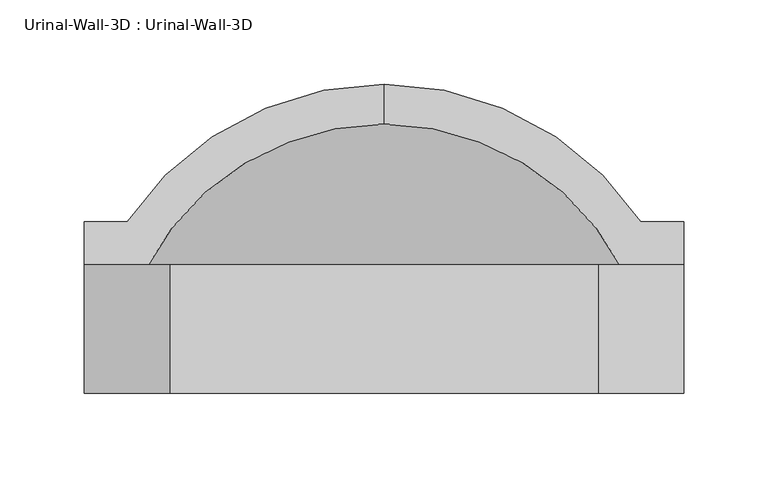
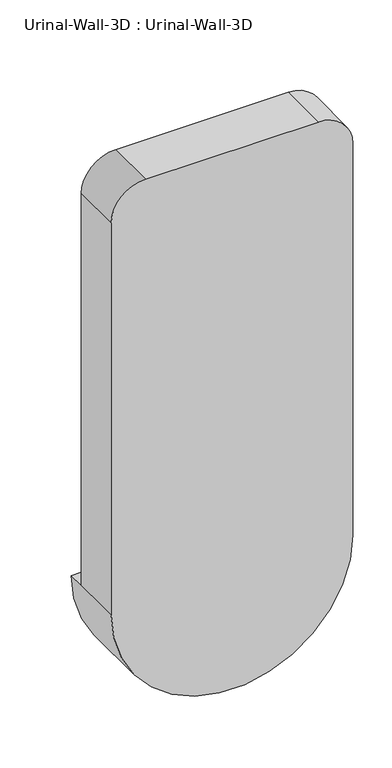
"""IFC4 building model written with IfcOpenShell, lengths in millimetres: flow terminal geometry, Urinal-Wall-3D : Urinal-Wall-3D."""

import ifcopenshell
import ifcopenshell.guid

model = None  # the IFC model being written
_history = None  # IfcOwnerHistory: only IFC2X3 demands one
_inside = {}  # id of a spatial element -> (the spatial element, [elements in it])
_under = {}  # id of a project, library or spatial element -> (it, [spatial elements below it])
_declared = {}  # id of a project -> (the project, [libraries it declares])
_typed = {}  # id of a type object -> (the type object, [elements of that type])
_made_of = {}  # id of a material, layer set ... -> (it, [elements and type objects made of it])


def new_model(schema):
    """Start an empty IFC model of exactly this schema.

    Asked for "IFC4X3", IfcOpenShell would pick the latest addendum, in which some entities
    have other attributes; the version numbers below select the first issue.
    IFC2X3 requires an IfcOwnerHistory on every rooted entity: one is made here for all.
    """
    global model, _history
    if schema == "IFC4X3":
        model = ifcopenshell.file(schema_version=(4, 3, 0, 0))
    else:
        model = ifcopenshell.file(schema=schema)
    _inside.clear()
    _under.clear()
    _declared.clear()
    _typed.clear()
    _made_of.clear()
    _history = None
    if model.schema == "IFC2X3":
        org = make("IfcOrganization", Name="unknown")
        user = make(
            "IfcPersonAndOrganization",
            ThePerson=make("IfcPerson", FamilyName="unknown"),
            TheOrganization=org,
        )
        app = make(
            "IfcApplication",
            ApplicationDeveloper=org,
            Version="unknown",
            ApplicationFullName="unknown",
            ApplicationIdentifier="unknown",
        )
        _history = make(
            "IfcOwnerHistory",
            OwningUser=user,
            OwningApplication=app,
            ChangeAction="ADDED",
            CreationDate=0,
        )
    return model


def make(cls, **values):
    """One entity of the class cls with the attributes given. An attribute that is None is left unset."""
    return model.create_entity(
        cls, **{name: value for name, value in values.items() if value is not None}
    )


def rooted(cls, **values):
    """An entity with a GlobalId (a new one), such as an element, a storey or a relation."""
    return make(cls, GlobalId=ifcopenshell.guid.new(), OwnerHistory=_history, **values)


def si_unit(unit_type, name, prefix=None):
    """IfcSIUnit, for example si_unit("LENGTHUNIT", "METRE", prefix="MILLI")."""
    return make("IfcSIUnit", UnitType=unit_type, Prefix=prefix, Name=name)


def assignment(units):
    """IfcUnitAssignment: the units of a project."""
    return None if units is None else make("IfcUnitAssignment", Units=units)


def point(xyz):
    """IfcCartesianPoint."""
    return None if xyz is None else make("IfcCartesianPoint", Coordinates=xyz)


def direction(xyz):
    """IfcDirection."""
    return None if xyz is None else make("IfcDirection", DirectionRatios=xyz)


def frame(location, z_axis=None, x_axis=None):
    """IfcAxis2Placement3D, a coordinate frame: its origin and axes. An axis left out is left unset."""
    return make(
        "IfcAxis2Placement3D",
        Location=point(location),
        Axis=direction(z_axis),
        RefDirection=direction(x_axis),
    )


def origin():
    """The frame at (0, 0, 0) with its axes left unset."""
    return frame((0.0, 0.0, 0.0))


def place(relative_to, where):
    """IfcLocalPlacement: puts the frame where relative to a parent placement (None: the world)."""
    return make(
        "IfcLocalPlacement", PlacementRelTo=relative_to, RelativePlacement=where
    )


def context(
    kind, dimensions, precision=None, world=None, true_north=None, identifier=None
):
    """IfcGeometricRepresentationContext, for example the 3D "Model" context."""
    return make(
        "IfcGeometricRepresentationContext",
        ContextIdentifier=identifier,
        ContextType=kind,
        CoordinateSpaceDimension=dimensions,
        Precision=precision,
        WorldCoordinateSystem=world,
        TrueNorth=true_north,
    )


def project(units=None, contexts=None):
    """IfcProject with its units and contexts."""
    return rooted(
        "IfcProject",
        Name="project",
        RepresentationContexts=contexts,
        UnitsInContext=assignment(units),
    )


def spatial(cls, under=None, at=None, **own):
    """A site, building, storey or space (cls), placed at a placement, below another one or the project."""
    s = rooted(cls, ObjectPlacement=at, **own)
    if under is not None:
        _under.setdefault(under.id(), (under, []))[1].append(s)
    return s


def polyline(points):
    """IfcPolyline through the points."""
    return make("IfcPolyline", Points=[point(p) for p in points])


def circle_curve(where, radius):
    """IfcCircle in the frame where."""
    return make("IfcCircle", Position=where, Radius=radius)


def ellipse_curve(where, semi_axis1, semi_axis2):
    """IfcEllipse in the frame where."""
    return make(
        "IfcEllipse", Position=where, SemiAxis1=semi_axis1, SemiAxis2=semi_axis2
    )


def trimmed(basis, trim1, trim2, sense, master):
    """IfcTrimmedCurve: the piece of a basis curve between two trims."""
    return make(
        "IfcTrimmedCurve",
        BasisCurve=basis,
        Trim1=trim1,
        Trim2=trim2,
        SenseAgreement=sense,
        MasterRepresentation=master,
    )


def shape(context_of_items, identifier, shape_type, items):
    """IfcShapeRepresentation: the items that make up one representation, for example the "Body"."""
    return make(
        "IfcShapeRepresentation",
        ContextOfItems=context_of_items,
        RepresentationIdentifier=identifier,
        RepresentationType=shape_type,
        Items=items,
    )


def source(mapping_origin, context_of_items, identifier, shape_type, items):
    """IfcRepresentationMap: a shape defined once, which mapped items show again and again."""
    return make(
        "IfcRepresentationMap",
        MappingOrigin=mapping_origin,
        MappedRepresentation=shape(context_of_items, identifier, shape_type, items),
    )


def transform(
    local_origin,
    x_axis=None,
    y_axis=None,
    z_axis=None,
    scale=None,
    scale2=None,
    scale3=None,
    uniform=True,
):
    """IfcCartesianTransformationOperator3D, or its non-uniform kind. x_axis, y_axis, z_axis: its Axis1, 2, 3."""
    if uniform:
        return make(
            "IfcCartesianTransformationOperator3D",
            Axis1=direction(x_axis),
            Axis2=direction(y_axis),
            LocalOrigin=point(local_origin),
            Scale=scale,
            Axis3=direction(z_axis),
        )
    return make(
        "IfcCartesianTransformationOperator3DnonUniform",
        Axis1=direction(x_axis),
        Axis2=direction(y_axis),
        LocalOrigin=point(local_origin),
        Scale=scale,
        Axis3=direction(z_axis),
        Scale2=scale2,
        Scale3=scale3,
    )


def mapped(mapping_source, mapping_target):
    """IfcMappedItem: shows the shape of a source again, moved by a transform."""
    return make(
        "IfcMappedItem", MappingSource=mapping_source, MappingTarget=mapping_target
    )


def made_of(thing, what):
    """Note that an element or type object is made of a material, layer set ...; save() writes the relation."""
    if what is not None:
        _made_of.setdefault(what.id(), (what, []))[1].append(thing)
    return thing


def element(
    cls,
    number,
    at=None,
    inside=None,
    cuts=None,
    type_object=None,
    material=None,
    context=None,
    identifier="Body",
    shape_type=None,
    held_by="IfcProductDefinitionShape",
    body=None,
    shapes=None,
    **own,
):
    """One element of the class cls, such as IfcWall. Its Tag is "e" and its number.

    at: its placement. inside: the storey or other place that contains it. cuts: it is an
    opening in that element (IfcRelVoidsElement). A single representation is given by context,
    identifier, shape_type and body (its items); several are given by shapes. held_by: the class
    of the entity that holds the representations. save() writes the other relations.
    """
    e = rooted(cls, Tag="e%d" % number, ObjectPlacement=at, **own)
    if body is not None:
        shapes = [shape(context, identifier, shape_type, body)]
    if shapes is not None:
        e.Representation = make(held_by, Representations=shapes)
    if inside is not None:
        _inside.setdefault(inside.id(), (inside, []))[1].append(e)
    if cuts is not None:
        rooted(
            "IfcRelVoidsElement", RelatingBuildingElement=cuts, RelatedOpeningElement=e
        )
    if type_object is not None:
        _typed.setdefault(type_object.id(), (type_object, []))[1].append(e)
    return made_of(e, material)


def aggregate(whole, parts):
    """IfcRelAggregates: a whole, such as a stair, and the parts it consists of."""
    return rooted("IfcRelAggregates", RelatingObject=whole, RelatedObjects=parts)


def save(model, path):
    """Write the relations noted so far, then the file.

    IfcRelAggregates (storeys below a building ...), IfcRelContainedInSpatialStructure (elements
    in a storey), IfcRelDefinesByType, IfcRelAssociatesMaterial and IfcRelDeclares: one each for
    every whole, place, type object, material and project.
    """
    for whole, parts in _under.values():
        aggregate(whole, parts)
    for where, things in _inside.values():
        rooted(
            "IfcRelContainedInSpatialStructure",
            RelatedElements=things,
            RelatingStructure=where,
        )
    for kind, things in _typed.values():
        rooted("IfcRelDefinesByType", RelatedObjects=things, RelatingType=kind)
    for what, things in _made_of.values():
        rooted("IfcRelAssociatesMaterial", RelatedObjects=things, RelatingMaterial=what)
    for by, libraries in _declared.values():
        rooted("IfcRelDeclares", RelatingContext=by, RelatedDefinitions=libraries)
    model.write(path)


def plane_surface(at):
    """IfcPlane: the flat surface through the origin of the frame at, square to its z axis."""
    return make("IfcPlane", Position=at)


def cylinder_surface(at, radius):
    """IfcCylindricalSurface: all points at the distance radius from the z axis of the frame at."""
    return make("IfcCylindricalSurface", Position=at, Radius=radius)


def revolved_surface(curve, axis_point, axis_direction):
    """IfcSurfaceOfRevolution: the curve turned about the line through axis_point along axis_direction."""
    return make(
        "IfcSurfaceOfRevolution",
        SweptCurve=make("IfcArbitraryOpenProfileDef", ProfileType="CURVE", Curve=curve),
        AxisPosition=make("IfcAxis1Placement", Location=point(axis_point), Axis=direction(axis_direction)),
    )


def advanced_brep(points, edges, surfaces, faces):
    """IfcAdvancedBrep: a solid bounded by faces that lie on surfaces and meet in shared edges.

    An edge is (start, end): straight between two places in points (the first is 0);
    or (start, end, curve); or (start, end, curve, False) where it runs against its curve.
    A face is (place in surfaces, loops), or (place, loops, False) where it looks against
    its surface's normal. A loop lists edges by number (the first is 1), with a minus sign
    where the edge is run from its end to its start. The first loop is the outer one.
    """
    corners = [point(p) for p in points]
    vertices = [make("IfcVertexPoint", VertexGeometry=c) for c in corners]
    made = []
    for start, end, *more in edges:
        made.append(
            make(
                "IfcEdgeCurve",
                EdgeStart=vertices[start],
                EdgeEnd=vertices[end],
                EdgeGeometry=more[0] if more else make("IfcPolyline", Points=[corners[start], corners[end]]),
                SameSense=more[1] if len(more) > 1 else True,
            )
        )
    hull = []
    for where, loops, *sense in faces:
        bounds = []
        for j, loop in enumerate(loops):
            ring = [make("IfcOrientedEdge", EdgeElement=made[abs(k) - 1], Orientation=k > 0) for k in loop]
            bounds.append(
                make(
                    "IfcFaceOuterBound" if j == 0 else "IfcFaceBound",
                    Bound=make("IfcEdgeLoop", EdgeList=ring),
                    Orientation=True,
                )
            )
        hull.append(make("IfcAdvancedFace", Bounds=bounds, FaceSurface=surfaces[where], SameSense=sense[0] if sense else True))
    return make("IfcAdvancedBrep", Outer=make("IfcClosedShell", CfsFaces=hull))


def urinal_wall_3d_urinal_wall_3d_4167b4dd(model_context):
    return source(origin(), model_context, "Body", "AdvancedBrep", [
        advanced_brep(
        [(-109.0745999, 270.4745048, 609.6), (-109.0745999, 246.7572043, 609.6), (43.3254001, 134.1831063, 609.6), (43.3254001, 163.5125, 609.6), (68.7254001, 163.5125, 609.6), (68.7254001, 188.9125, 609.6), (43.3254001, 188.9125, 609.6), (-261.4745999, 188.9125, 609.6), (-286.8745999, 188.9125, 609.6), (-286.8745999, 163.5125, 609.6), (-261.4745999, 163.5125, 609.6), (-261.4745999, 134.1831063, 609.6), (-261.4745999, 100.0125, 609.6), (43.3254001, 100.0125, 609.6), (-286.8745999, 87.3125, 609.6), (68.7254001, 87.3125, 609.6), (68.7254001, 87.3125, 1219.2), (17.9254001, 87.3125, 1270.0), (-236.0745999, 87.3125, 1270.0), (-286.8745999, 87.3125, 1219.2), (43.3254001, 163.5125, 1168.4), (-7.4745999, 163.5125, 1219.2), (-210.6745999, 163.5125, 1219.2), (-261.4745999, 163.5125, 1168.4), (-286.8745999, 163.5125, 1219.2), (-236.0745999, 163.5125, 1270.0), (17.9254001, 163.5125, 1270.0), (68.7254001, 163.5125, 1219.2), (43.3254001, 100.0125, 1168.4), (-7.4745999, 100.0125, 1219.2), (-210.6745999, 100.0125, 1219.2), (-261.4745999, 100.0125, 1168.4)],
        [
            (0, 1),
            (1, 2, circle_curve(frame((-109.0745999, 87.3125, 609.6), z_axis=(0.0, 0.0, -1.0), x_axis=(1.0, 0.0, 0.0)), 159.4447043)),
            (2, 3),
            (3, 4),
            (4, 5),
            (5, 6),
            (6, 0, circle_curve(frame((-109.0745999, 87.3125, 609.6), z_axis=(0.0, 0.0, 1.0), x_axis=(1.0, 0.0, 0.0)), 183.1620048)),
            (0, 7, circle_curve(frame((-109.0745999, 87.3125, 609.6), z_axis=(0.0, 0.0, 1.0), x_axis=(-1.0, 0.0, 0.0)), 183.1620048)),
            (7, 8),
            (8, 9),
            (9, 10),
            (10, 11),
            (11, 1, circle_curve(frame((-109.0745999, 87.3125, 609.6), z_axis=(0.0, 0.0, -1.0), x_axis=(-1.0, 0.0, 0.0)), 159.4447043)),
            (11, 2, circle_curve(frame((-109.0745999, 134.1831063, 609.6), z_axis=(0.0, -1.0, 0.0), x_axis=(1.0, 0.0, 0.0)), 152.4)),
            (11, 12),
            (12, 13, circle_curve(frame((-109.0745999, 100.0125, 609.6), z_axis=(0.0, -1.0, 0.0), x_axis=(1.0, 0.0, 0.0)), 152.4)),
            (13, 2),
            (14, 15, circle_curve(frame((-109.0745999, 87.3125, 609.6), z_axis=(0.0, -1.0, 0.0), x_axis=(1.0, 0.0, 0.0)), 177.8)),
            (15, 16),
            (16, 17, circle_curve(frame((17.9254001, 87.3125, 1219.2), z_axis=(0.0, -1.0, 0.0), x_axis=(-1.0, 0.0, 0.0)), 50.8)),
            (17, 18),
            (18, 19, circle_curve(frame((-236.0745999, 87.3125, 1219.2), z_axis=(0.0, -1.0, 0.0), x_axis=(-1.0, 0.0, 0.0)), 50.8)),
            (19, 14),
            (14, 9),
            (8, 5, circle_curve(frame((-109.0745999, 188.9125, 609.6), z_axis=(0.0, -1.0, 0.0), x_axis=(1.0, 0.0, 0.0)), 177.8)),
            (4, 15),
            (7, 6, circle_curve(frame((-109.0745999, 188.9125, 609.6), z_axis=(0.0, -1.0, 0.0), x_axis=(1.0, 0.0, 0.0)), 152.4)),
            (3, 20),
            (20, 21, circle_curve(frame((-7.4745999, 163.5125, 1168.4), z_axis=(0.0, -1.0, 0.0), x_axis=(-1.0, 0.0, 0.0)), 50.8)),
            (21, 22),
            (22, 23, circle_curve(frame((-210.6745999, 163.5125, 1168.4), z_axis=(0.0, -1.0, 0.0), x_axis=(-1.0, 0.0, 0.0)), 50.8)),
            (23, 10),
            (9, 24),
            (24, 25, circle_curve(frame((-236.0745999, 163.5125, 1219.2), z_axis=(0.0, 1.0, 0.0), x_axis=(-1.0, 0.0, 0.0)), 50.8)),
            (25, 26),
            (26, 27, circle_curve(frame((17.9254001, 163.5125, 1219.2), z_axis=(0.0, 1.0, 0.0), x_axis=(-1.0, 0.0, 0.0)), 50.8)),
            (27, 4),
            (13, 28),
            (28, 20),
            (28, 29, circle_curve(frame((-7.4745999, 100.0125, 1168.4), z_axis=(0.0, -1.0, 0.0), x_axis=(-1.0, 0.0, 0.0)), 50.8)),
            (29, 21),
            (29, 30),
            (30, 22),
            (30, 31, circle_curve(frame((-210.6745999, 100.0125, 1168.4), z_axis=(0.0, -1.0, 0.0), x_axis=(-1.0, 0.0, 0.0)), 50.8)),
            (31, 23),
            (31, 12),
            (19, 24),
            (18, 25),
            (17, 26),
            (16, 27),
        ],
        [
            plane_surface(frame((-109.0745999, 376.5229173, 609.6), z_axis=(0.0, 0.0, 1.0), x_axis=(1.0, 0.0, 0.0))),
            plane_surface(frame((-109.0745999, 376.5229173, 609.6), z_axis=(0.0, 0.0, 1.0), x_axis=(-1.0, 0.0, 0.0))),
            revolved_surface(trimmed(ellipse_curve(frame((-109.0745999, 87.3125, 609.6), z_axis=(0.0, 0.0, -1.0), x_axis=(1.0, 0.0, 0.0)), 159.4447043, 159.4447043), [point((-109.0745999, 246.7572043, 609.6))], [point((43.3254001, 134.1831063, 609.6))], True, "CARTESIAN"), (-109.0745999, 376.5229173, 609.6), (0.0, 1.0, 0.0)),
            revolved_surface(polyline([(43.32540010000001, 134.1831063, 609.6), (43.32540010000001, 100.01249999999999, 609.6)]), (-109.0745999, 376.5229173, 609.6), (0.0, 1.0, 0.0)),
            plane_surface(frame((-109.0745999, 87.3125, 609.6), z_axis=(0.0, -1.0, 0.0), x_axis=(1.0, 0.0, 0.0))),
            cylinder_surface(frame((-109.0745999, 376.5229173, 609.6), z_axis=(0.0, 1.0, 0.0), x_axis=(1.0, 0.0, 0.0)), 177.8),
            plane_surface(frame((-109.0745999, 188.9125, 609.6), z_axis=(0.0, 1.0, 0.0), x_axis=(1.0, 0.0, 0.0))),
            revolved_surface(trimmed(ellipse_curve(frame((-109.0745999, 87.3125, 609.6), z_axis=(0.0, 0.0, 1.0), x_axis=(1.0, 0.0, 0.0)), 183.1620048, 183.1620048), [point((43.3254001, 188.9125, 609.6))], [point((-109.0745999, 270.4745048, 609.6))], True, "CARTESIAN"), (-109.0745999, 376.5229173, 609.6), (0.0, 1.0, 0.0)),
            plane_surface(frame((43.3254001, 163.5125, 609.6), z_axis=(0.0, 1.0, 0.0), x_axis=(0.0, 0.0, 1.0))),
            plane_surface(frame((43.3254001, 163.5125, 609.6), z_axis=(-1.0, 0.0, 0.0), x_axis=(0.0, -1.0, 0.0))),
            revolved_surface(polyline([(-58.2745999, 100.0125, 1168.4), (-58.2745999, 163.5125, 1168.4)]), (-7.4745999, 87.3125, 1168.4), (0.0, -1.0, 0.0)),
            plane_surface(frame((-7.4745999, 163.5125, 1219.2), z_axis=(0.0, 0.0, -1.0), x_axis=(0.0, -1.0, 0.0))),
            revolved_surface(polyline([(-261.4745999, 100.0125, 1168.4), (-261.4745999, 163.5125, 1168.4)]), (-210.6745999, 87.3125, 1168.4), (0.0, -1.0, 0.0)),
            plane_surface(frame((-261.4745999, 163.5125, 1168.4), z_axis=(1.0, 0.0, 0.0), x_axis=(0.0, -1.0, 0.0))),
            plane_surface(frame((-286.8745999, 163.5125, 609.6), z_axis=(-1.0, 0.0, 0.0), x_axis=(0.0, -1.0, 0.0))),
            cylinder_surface(frame((-236.0745999, 87.3125, 1219.2), z_axis=(0.0, 1.0, 0.0), x_axis=(-1.0, 0.0, 0.0)), 50.8),
            plane_surface(frame((-236.0745999, 163.5125, 1270.0), z_axis=(0.0, 0.0, 1.0), x_axis=(0.0, -1.0, 0.0))),
            cylinder_surface(frame((17.9254001, 87.3125, 1219.2), z_axis=(0.0, 1.0, 0.0), x_axis=(-1.0, 0.0, 0.0)), 50.8),
            plane_surface(frame((68.7254001, 163.5125, 1219.2), z_axis=(1.0, 0.0, 0.0), x_axis=(0.0, -1.0, 0.0))),
            plane_surface(frame((43.3254001, 100.0125, 609.6), z_axis=(0.0, 1.0, 0.0), x_axis=(0.0, 0.0, -1.0))),
        ],
        [
            (0, [[1, 2, 3, 4, 5, 6, 7]]),
            (1, [[-1, 8, 9, 10, 11, 12, 13]]),
            (2, [[-2, -13, 14]]),
            (3, [[-14, 15, 16, 17]]),
            (4, [[18, 19, 20, 21, 22, 23]]),
            (5, [[-18, 24, -10, 25, -5, 26]]),
            (6, [[-6, -25, -9, 27]]),
            (7, [[-7, -27, -8]]),
            (8, [[28, 29, 30, 31, 32, -11, 33, 34, 35, 36, 37, -4]]),
            (9, [[-28, -3, -17, 38, 39]]),
            (10, [[-29, -39, 40, 41]]),
            (11, [[-30, -41, 42, 43]]),
            (12, [[-31, -43, 44, 45]]),
            (13, [[-32, -45, 46, -15, -12]]),
            (14, [[-33, -24, -23, 47]]),
            (15, [[-34, -47, -22, 48]]),
            (16, [[-35, -48, -21, 49]]),
            (17, [[-36, -49, -20, 50]]),
            (18, [[-37, -50, -19, -26]]),
            (19, [[-16, -46, -44, -42, -40, -38]]),
        ],
    ),
    ])


if __name__ == "__main__":
    model = new_model("IFC4")
    model_context = context("Model", 3, world=origin())
    ifc_project = project(units=[si_unit("LENGTHUNIT", "METRE", prefix="MILLI")], contexts=[model_context])
    site = spatial("IfcSite", under=ifc_project)
    building = spatial("IfcBuilding", under=site)
    placement = place(None, origin())
    urinal_wall_3d_urinal_wall_3d_shape = urinal_wall_3d_urinal_wall_3d_4167b4dd(model_context)
    element("IfcFlowTerminal", 1, ObjectType="Urinal-Wall-3D : Urinal-Wall-3D", at=placement, inside=building, context=model_context, shape_type="MappedRepresentation", body=[
        mapped(urinal_wall_3d_urinal_wall_3d_shape, transform((0.0, 0.0, 0.0), x_axis=(1.0, 0.0, 0.0), y_axis=(0.0, 1.0, 0.0), z_axis=(0.0, 0.0, 1.0))),
    ])
    save(model, "model.ifc")
